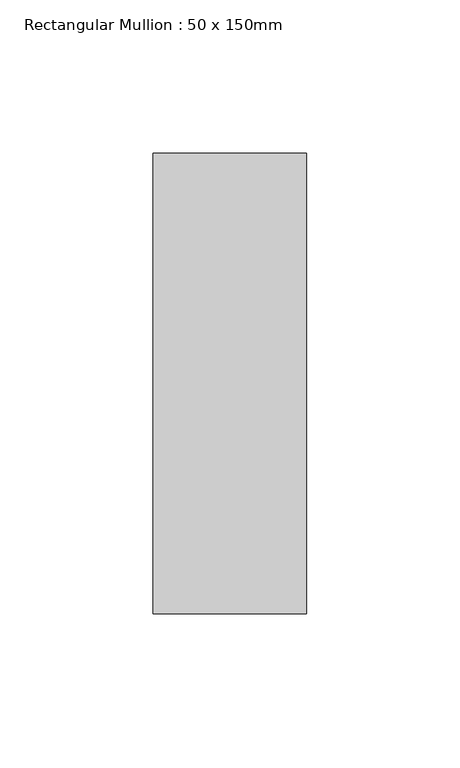
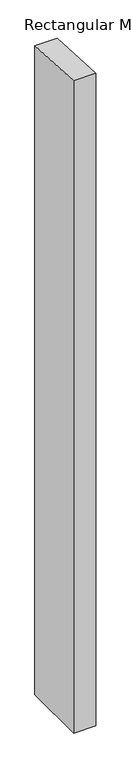
"""IFC4 building model written with IfcOpenShell, lengths in millimetres: member geometry, Rectangular Mullion : 50 x 150mm."""

from ifc_helpers import new_model, si_unit, frame, origin, place, context, project, spatial, polyline, outline, extrude, source, transform, mapped, element, save


def rectangular_mullion_50_x_150mm_52a25be4(model_context):
    return source(origin(), model_context, "Body", "SweptSolid", [
        extrude(outline(polyline([(-75.0, 3.9569839), (75.0, -3.9569839), (75.0, -1538.5002339), (-75.0, -1538.5002339), (-75.0, 3.9569839)])), frame((-50.0, 0.0, 0.0), z_axis=(1.0, 0.0, 0.0), x_axis=(0.0, 1.0, 0.0)), (0.0, 0.0, 1.0), 50.0),
    ])


if __name__ == "__main__":
    model = new_model("IFC4")
    model_context = context("Model", 3, world=origin())
    ifc_project = project(units=[si_unit("LENGTHUNIT", "METRE", prefix="MILLI")], contexts=[model_context])
    site = spatial("IfcSite", under=ifc_project)
    building = spatial("IfcBuilding", under=site)
    placement = place(None, origin())
    rectangular_mullion_50_x_150mm_shape = rectangular_mullion_50_x_150mm_52a25be4(model_context)
    element("IfcMember", 1, ObjectType="Rectangular Mullion : 50 x 150mm", at=placement, inside=building, context=model_context, shape_type="MappedRepresentation", body=[
        mapped(rectangular_mullion_50_x_150mm_shape, transform((0.0, 0.0, 0.0), x_axis=(1.0, 0.0, 0.0), y_axis=(0.0, 1.0, 0.0), z_axis=(0.0, 0.0, 1.0))),
    ])
    save(model, "model.ifc")
